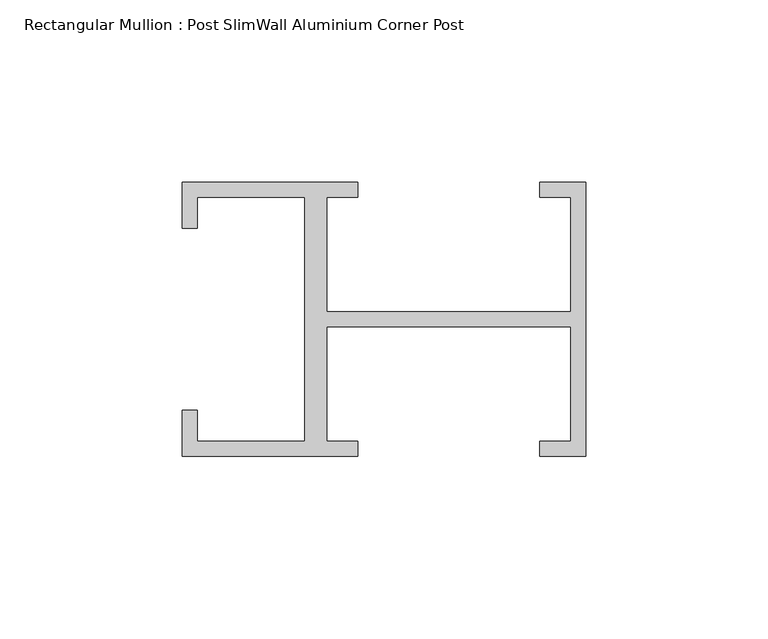
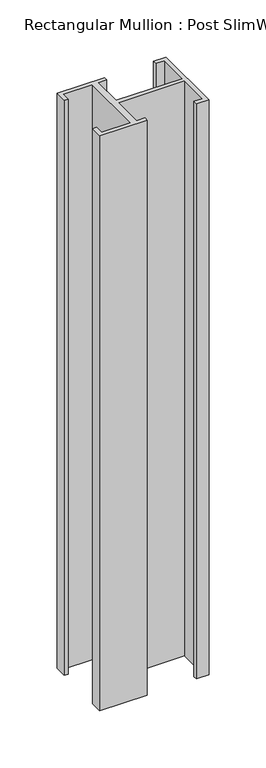
"""IFC4 building model written with IfcOpenShell, lengths in millimetres: member geometry, Rectangular Mullion : Post SlimWall Aluminium Corner Post."""

from ifc_helpers import new_model, si_unit, frame, origin, place, context, project, spatial, polyline, outline, extrude, source, transform, mapped, element, save


def rectangular_mullion_post_slimwall_aluminium_corner_post_0973276c(model_context):
    return source(origin(), model_context, "Body", "SweptSolid", [
        extrude(outline(polyline([(-71.0, 33.5), (-71.0, 2.0), (-4.0, 2.0), (-4.0, 33.5), (-12.5, 33.5), (-12.5, 37.5), (0.0, 37.5), (0.0, -37.5), (-12.5, -37.5), (-12.5, -33.5), (-4.0, -33.5), (-4.0, -2.0), (-71.0, -2.0), (-71.0, -33.5), (-62.5, -33.5), (-62.5, -37.5), (-110.5, -37.5), (-110.5, -25.0), (-106.5, -25.0), (-106.5, -33.5), (-77.0, -33.5), (-77.0, 33.5), (-106.5, 33.5), (-106.5, 25.0), (-110.5, 25.0), (-110.5, 37.5), (-62.5, 37.5), (-62.5, 33.5), (-71.0, 33.5)])), frame((0.0, 0.0, -615.0), z_axis=(0.0, 0.0, 1.0), x_axis=(1.0, 0.0, 0.0)), (0.0, 0.0, 1.0), 615.0),
    ])


if __name__ == "__main__":
    model = new_model("IFC4")
    model_context = context("Model", 3, world=origin())
    ifc_project = project(units=[si_unit("LENGTHUNIT", "METRE", prefix="MILLI")], contexts=[model_context])
    site = spatial("IfcSite", under=ifc_project)
    building = spatial("IfcBuilding", under=site)
    placement = place(None, origin())
    rectangular_mullion_post_slimwall_aluminium_corner_post_shape = rectangular_mullion_post_slimwall_aluminium_corner_post_0973276c(model_context)
    element("IfcMember", 1, ObjectType="Rectangular Mullion : Post SlimWall Aluminium Corner Post", at=placement, inside=building, context=model_context, shape_type="MappedRepresentation", body=[
        mapped(rectangular_mullion_post_slimwall_aluminium_corner_post_shape, transform((0.0, 0.0, 0.0), x_axis=(1.0, 0.0, 0.0), y_axis=(0.0, 1.0, 0.0), z_axis=(0.0, 0.0, 1.0))),
    ])
    save(model, "model.ifc")
